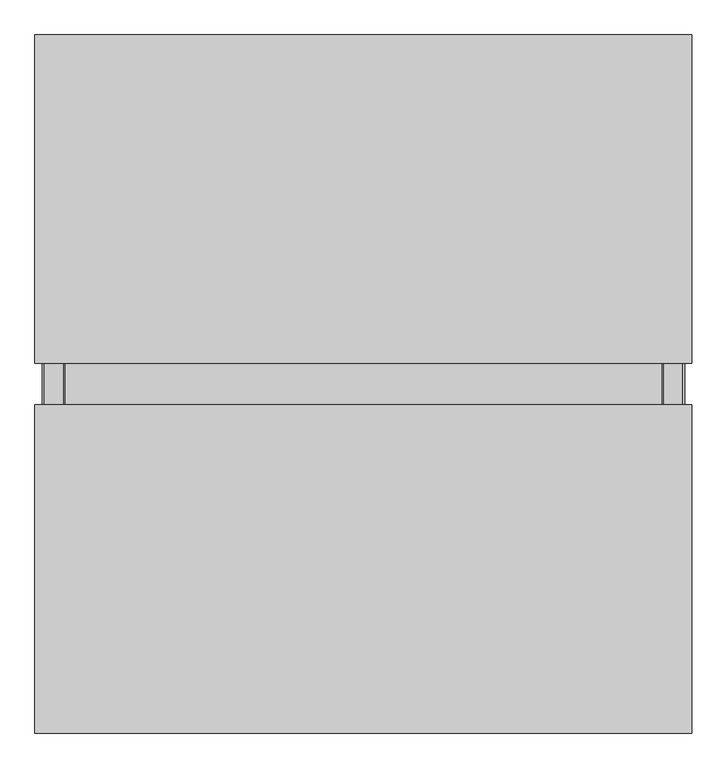
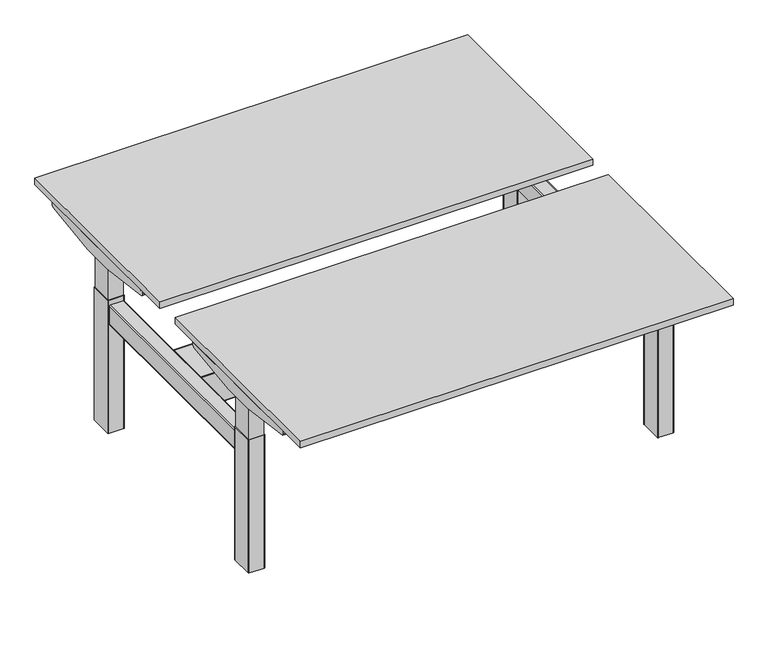
"""IFC4 building model written with IfcOpenShell, lengths in millimetres: furniture geometry."""

from ifc_helpers import new_model, si_unit, point, frame, frame_2d, origin, origin_with_axes, place, context, project, spatial, polyline, circle_curve, ellipse_curve, trimmed, segment, composite_curve, outline, extrude, source, transform, mapped, element, save
from ifc_brep_helpers import plane_surface, cylinder_surface, revolved_surface, advanced_brep


def furniture_f23aa747(model_context):
    return source(origin(), model_context, "Body", "SolidModel", [
        extrude(outline(polyline([(789.3, -497.4890113), (-789.2862845, -497.4890113), (-789.2862845, -402.4890113), (789.3, -402.4890113), (789.3, -497.4890113)])), frame((0.0, 0.0, 667.9999162), z_axis=(0.0, 0.0, 1.0), x_axis=(1.0, 0.0, 0.0)), (0.0, 0.0, 1.0), 43.9052814),
        extrude(outline(polyline([(789.2996816, 402.4523074), (-789.2996816, 402.4523074), (-789.2996816, 497.4523074), (789.2996816, 497.4523074), (789.2996816, 402.4523074)])), frame((0.0, 0.0, 667.9999162), z_axis=(0.0, 0.0, 1.0), x_axis=(1.0, 0.0, 0.0)), (0.0, 0.0, 1.0), 43.9051969),
        extrude(outline(composite_curve([segment(trimmed(circle_curve(frame_2d((754.3259756, 465.4232078)), 20.0), [point((734.3259756, 465.4232078))], [point((774.3259756, 465.4232078))], False, "CARTESIAN"), True, "CONTINUOUS"), segment(trimmed(circle_curve(frame_2d((754.3259756, 465.4232078)), 20.0), [point((774.3259756, 465.4232078))], [point((734.3259756, 465.4232078))], False, "CARTESIAN"), True, "CONTINUOUS")], self_intersect=False)), origin_with_axes(), (0.0, 0.0, 1.0), 4.9999962),
        extrude(outline(composite_curve([segment(trimmed(circle_curve(frame_2d((754.3571158, -464.5429574)), 20.0), [point((734.3571158, -464.5429574))], [point((774.3571158, -464.5429574))], False, "CARTESIAN"), True, "CONTINUOUS"), segment(trimmed(circle_curve(frame_2d((754.3571158, -464.5429574)), 20.0), [point((774.3571158, -464.5429574))], [point((734.3571158, -464.5429574))], False, "CARTESIAN"), True, "CONTINUOUS")], self_intersect=False)), origin_with_axes(), (0.0, 0.0, 1.0), 4.9999962),
        extrude(outline(composite_curve([segment(trimmed(circle_curve(frame_2d((-754.5703164, -465.0740568)), 20.0), [point((-774.5703164, -465.0740568))], [point((-734.5703164, -465.0740568))], False, "CARTESIAN"), True, "CONTINUOUS"), segment(trimmed(circle_curve(frame_2d((-754.5703164, -465.0740568)), 20.0), [point((-734.5703164, -465.0740568))], [point((-774.5703164, -465.0740568))], False, "CARTESIAN"), True, "CONTINUOUS")], self_intersect=False)), origin_with_axes(), (0.0, 0.0, 1.0), 4.9999962),
        extrude(outline(composite_curve([segment(trimmed(circle_curve(frame_2d((-754.5475741, 466.1099029)), 20.0), [point((-774.5475741, 466.1099029))], [point((-734.5475741, 466.1099029))], False, "CARTESIAN"), True, "CONTINUOUS"), segment(trimmed(circle_curve(frame_2d((-754.5475741, 466.1099029)), 20.0), [point((-734.5475741, 466.1099029))], [point((-774.5475741, 466.1099029))], False, "CARTESIAN"), True, "CONTINUOUS")], self_intersect=False)), origin_with_axes(), (0.0, 0.0, 1.0), 5.0000038),
        extrude(outline(polyline([(800.0, 49.9892535), (-800.0, 49.9892535), (-800.0, 849.9892536), (800.0, 849.9892536), (800.0, 49.9892535)])), frame((0.0, 0.0, 714.90499), z_axis=(0.0, 0.0, 1.0), x_axis=(1.0, 0.0, 0.0)), (0.0, 0.0, 1.0), 25.09501),
        extrude(outline(composite_curve([segment(polyline([(739.9996149, 711.9051132), (739.9996149, 703.6742338)]), True, "CONTINUOUS"), segment(trimmed(circle_curve(frame_2d((729.9996149, 703.6742338)), 10.0), [point((739.9996149, 703.6742338))], [point((731.3069776, 693.760062))], False, "CARTESIAN"), True, "CONTINUOUS"), segment(polyline([(731.3069776, 693.760062), (512.4892378, 664.9049895), (387.4887848, 664.9049895), (168.6813999, 693.7586965)]), True, "CONTINUOUS"), segment(trimmed(circle_curve(frame_2d((169.9887626, 703.6728683)), 10.0), [point((168.6813999, 693.7586965))], [point((159.9887626, 703.6728683))], False, "CARTESIAN"), True, "CONTINUOUS"), segment(polyline([(159.9887626, 703.6728683), (159.9887626, 711.9051132), (739.9996149, 711.9051132)]), True, "CONTINUOUS")], self_intersect=False)), frame((789.2996816, 0.0, 0.0), z_axis=(1.0, 0.0, 0.0), x_axis=(0.0, 1.0, 0.0)), (0.0, 0.0, 1.0), 9.9735414),
        extrude(outline(composite_curve([segment(polyline([(739.9996149, 711.9051132), (739.9996149, 703.6742338)]), True, "CONTINUOUS"), segment(trimmed(circle_curve(frame_2d((729.9996149, 703.6742338)), 10.0), [point((739.9996149, 703.6742338))], [point((731.3069776, 693.760062))], False, "CARTESIAN"), True, "CONTINUOUS"), segment(polyline([(731.3069776, 693.760062), (512.4892378, 664.9049895), (387.4887848, 664.9049895), (168.6813999, 693.7586965)]), True, "CONTINUOUS"), segment(trimmed(circle_curve(frame_2d((169.9887626, 703.6728683)), 10.0), [point((168.6813999, 693.7586965))], [point((159.9887626, 703.6728683))], False, "CARTESIAN"), True, "CONTINUOUS"), segment(polyline([(159.9887626, 703.6728683), (159.9887626, 711.9051132), (739.9996149, 711.9051132)]), True, "CONTINUOUS")], self_intersect=False)), frame((-799.2732229, 0.0, 0.0), z_axis=(1.0, 0.0, 0.0), x_axis=(0.0, 1.0, 0.0)), (0.0, 0.0, 1.0), 9.9735414),
        extrude(outline(composite_curve([segment(polyline([(-159.999644, 711.9051976), (-159.999644, 703.6689123)]), True, "CONTINUOUS"), segment(trimmed(circle_curve(frame_2d((-169.999644, 703.6689123)), 10.0), [point((-159.999644, 703.6689123))], [point((-168.6922757, 693.7547412))], False, "CARTESIAN"), True, "CONTINUOUS"), segment(polyline([(-168.6922757, 693.7547412), (-387.4680664, 664.905074), (-512.5099562, 664.905074), (-731.3071595, 693.7575648)]), True, "CONTINUOUS"), segment(trimmed(circle_curve(frame_2d((-729.9997912, 703.6717359)), 10.0), [point((-731.3071595, 693.7575648))], [point((-739.9997912, 703.6717359))], False, "CARTESIAN"), True, "CONTINUOUS"), segment(polyline([(-739.9997912, 703.6717359), (-739.9997912, 711.9051976), (-159.999644, 711.9051976)]), True, "CONTINUOUS")], self_intersect=False)), frame((789.3, 0.0, 0.0), z_axis=(1.0, 0.0, 0.0), x_axis=(0.0, 1.0, 0.0)), (0.0, 0.0, 1.0), 9.9731317),
        extrude(outline(composite_curve([segment(polyline([(-159.999644, 711.9051976), (-159.999644, 703.6689123)]), True, "CONTINUOUS"), segment(trimmed(circle_curve(frame_2d((-169.999644, 703.6689123)), 10.0), [point((-159.999644, 703.6689123))], [point((-168.6922757, 693.7547412))], False, "CARTESIAN"), True, "CONTINUOUS"), segment(polyline([(-168.6922757, 693.7547412), (-387.4680664, 664.905074), (-512.5099562, 664.905074), (-731.3071595, 693.7575648)]), True, "CONTINUOUS"), segment(trimmed(circle_curve(frame_2d((-729.9997912, 703.6717359)), 10.0), [point((-731.3071595, 693.7575648))], [point((-739.9997912, 703.6717359))], False, "CARTESIAN"), True, "CONTINUOUS"), segment(polyline([(-739.9997912, 703.6717359), (-739.9997912, 711.9051976), (-159.999644, 711.9051976)]), True, "CONTINUOUS")], self_intersect=False)), frame((-799.2731317, 0.0, 0.0), z_axis=(1.0, 0.0, 0.0), x_axis=(0.0, 1.0, 0.0)), (0.0, 0.0, 1.0), 9.9868472),
        extrude(outline(polyline([(800.0, -849.9892536), (-800.0, -849.9892536), (-800.0, -50.0107464), (800.0, -50.0107464), (800.0, -849.9892536)])), frame((0.0, 0.0, 714.904979), z_axis=(0.0, 0.0, 1.0), x_axis=(1.0, 0.0, 0.0)), (0.0, 0.0, 1.0), 25.095021),
        extrude(outline(polyline([(728.7730675, -407.4889476), (783.7730709, -407.4889476), (783.7730709, -492.4890751), (728.7730675, -492.4890751), (728.7730675, -407.4889476)])), frame((0.0, 0.0, 524.9998985), z_axis=(0.0, 0.0, 1.0), x_axis=(1.0, 0.0, 0.0)), (0.0, 0.0, 1.0), 127.9855083),
        extrude(outline(polyline([(-728.7730675, -407.4889476), (-728.7730675, -492.4890751), (-783.7730709, -492.4890751), (-783.7730709, -407.4889476), (-728.7730675, -407.4889476)])), frame((0.0, 0.0, 524.9998985), z_axis=(0.0, 0.0, 1.0), x_axis=(1.0, 0.0, 0.0)), (0.0, 0.0, 1.0), 127.9855083),
        extrude(outline(polyline([(728.7730675, 407.4889476), (728.7730675, 492.4890751), (783.7730709, 492.4890751), (783.7730709, 407.4889476), (728.7730675, 407.4889476)])), frame((0.0, 0.0, 524.9998985), z_axis=(0.0, 0.0, 1.0), x_axis=(1.0, 0.0, 0.0)), (0.0, 0.0, 1.0), 127.9855083),
        extrude(outline(polyline([(-728.7730675, 407.4889476), (-783.7730709, 407.4889476), (-783.7730709, 492.4890751), (-728.7730675, 492.4890751), (-728.7730675, 407.4889476)])), frame((0.0, 0.0, 524.9998985), z_axis=(0.0, 0.0, 1.0), x_axis=(1.0, 0.0, 0.0)), (0.0, 0.0, 1.0), 127.9855083),
        extrude(outline(composite_curve([segment(trimmed(circle_curve(frame_2d((783.7231598, 492.4605705)), 2.0), [point((783.7231598, 494.4605705))], [point((785.7231598, 492.4605705))], False, "CARTESIAN"), True, "CONTINUOUS"), segment(polyline([(785.7231598, 492.4605705), (785.7231598, 407.5604217)]), True, "CONTINUOUS"), segment(trimmed(circle_curve(frame_2d((783.7231598, 407.5604217)), 2.0), [point((785.7231598, 407.5604217))], [point((783.7231598, 405.5604217))], False, "CARTESIAN"), True, "CONTINUOUS"), segment(polyline([(783.7231598, 405.5604217), (728.8230121, 405.5604217)]), True, "CONTINUOUS"), segment(trimmed(circle_curve(frame_2d((728.8230121, 407.5604217)), 2.0), [point((728.8230121, 405.5604217))], [point((726.8230121, 407.5604217))], False, "CARTESIAN"), True, "CONTINUOUS"), segment(polyline([(726.8230121, 407.5604217), (726.8230121, 492.4810964)]), True, "CONTINUOUS"), segment(trimmed(circle_curve(frame_2d((728.8024863, 492.4810964)), 1.9794742), [point((726.8230121, 492.4810964))], [point((728.8024863, 494.4605705))], False, "CARTESIAN"), True, "CONTINUOUS"), segment(polyline([(728.8024863, 494.4605705), (783.7231598, 494.4605705)]), True, "CONTINUOUS")], self_intersect=False)), frame((0.0, 0.0, 652.9854068), z_axis=(0.0, 0.0, 1.0), x_axis=(1.0, 0.0, 0.0)), (0.0, 0.0, 1.0), 15.0145094),
        extrude(outline(composite_curve([segment(polyline([(-783.7231598, 494.4605705), (-728.8024863, 494.4605705)]), True, "CONTINUOUS"), segment(trimmed(circle_curve(frame_2d((-728.8024863, 492.4810964)), 1.9794742), [point((-728.8024863, 494.4605705))], [point((-726.8230121, 492.4810964))], False, "CARTESIAN"), True, "CONTINUOUS"), segment(polyline([(-726.8230121, 492.4810964), (-726.8230121, 407.5604217)]), True, "CONTINUOUS"), segment(trimmed(circle_curve(frame_2d((-728.8230121, 407.5604217)), 2.0), [point((-726.8230121, 407.5604217))], [point((-728.8230121, 405.5604217))], False, "CARTESIAN"), True, "CONTINUOUS"), segment(polyline([(-728.8230121, 405.5604217), (-783.7231598, 405.5604217)]), True, "CONTINUOUS"), segment(trimmed(circle_curve(frame_2d((-783.7231598, 407.5604217)), 2.0), [point((-783.7231598, 405.5604217))], [point((-785.7231598, 407.5604217))], False, "CARTESIAN"), True, "CONTINUOUS"), segment(polyline([(-785.7231598, 407.5604217), (-785.7231598, 492.4605705)]), True, "CONTINUOUS"), segment(trimmed(circle_curve(frame_2d((-783.7231598, 492.4605705)), 2.0), [point((-785.7231598, 492.4605705))], [point((-783.7231598, 494.4605705))], False, "CARTESIAN"), True, "CONTINUOUS")], self_intersect=False)), frame((0.0, 0.0, 652.9854068), z_axis=(0.0, 0.0, 1.0), x_axis=(1.0, 0.0, 0.0)), (0.0, 0.0, 1.0), 15.0145094),
        extrude(outline(composite_curve([segment(polyline([(783.7231598, -494.4605705), (728.8024863, -494.4605705)]), True, "CONTINUOUS"), segment(trimmed(circle_curve(frame_2d((728.8024863, -492.4810964)), 1.9794742), [point((728.8024863, -494.4605705))], [point((726.8230121, -492.4810964))], False, "CARTESIAN"), True, "CONTINUOUS"), segment(polyline([(726.8230121, -492.4810964), (726.8230121, -407.5604217)]), True, "CONTINUOUS"), segment(trimmed(circle_curve(frame_2d((728.8230121, -407.5604217)), 2.0), [point((726.8230121, -407.5604217))], [point((728.8230121, -405.5604217))], False, "CARTESIAN"), True, "CONTINUOUS"), segment(polyline([(728.8230121, -405.5604217), (783.7231598, -405.5604217)]), True, "CONTINUOUS"), segment(trimmed(circle_curve(frame_2d((783.7231598, -407.5604217)), 2.0), [point((783.7231598, -405.5604217))], [point((785.7231598, -407.5604217))], False, "CARTESIAN"), True, "CONTINUOUS"), segment(polyline([(785.7231598, -407.5604217), (785.7231598, -492.4605705)]), True, "CONTINUOUS"), segment(trimmed(circle_curve(frame_2d((783.7231598, -492.4605705)), 2.0), [point((785.7231598, -492.4605705))], [point((783.7231598, -494.4605705))], False, "CARTESIAN"), True, "CONTINUOUS")], self_intersect=False)), frame((0.0, 0.0, 652.9854068), z_axis=(0.0, 0.0, 1.0), x_axis=(1.0, 0.0, 0.0)), (0.0, 0.0, 1.0), 15.0145094),
        extrude(outline(composite_curve([segment(trimmed(circle_curve(frame_2d((-783.7231598, -492.4605705)), 2.0), [point((-783.7231598, -494.4605705))], [point((-785.7231598, -492.4605705))], False, "CARTESIAN"), True, "CONTINUOUS"), segment(polyline([(-785.7231598, -492.4605705), (-785.7231598, -407.5604217)]), True, "CONTINUOUS"), segment(trimmed(circle_curve(frame_2d((-783.7231598, -407.5604217)), 2.0), [point((-785.7231598, -407.5604217))], [point((-783.7231598, -405.5604217))], False, "CARTESIAN"), True, "CONTINUOUS"), segment(polyline([(-783.7231598, -405.5604217), (-728.8230121, -405.5604217)]), True, "CONTINUOUS"), segment(trimmed(circle_curve(frame_2d((-728.8230121, -407.5604217)), 2.0), [point((-728.8230121, -405.5604217))], [point((-726.8230121, -407.5604217))], False, "CARTESIAN"), True, "CONTINUOUS"), segment(polyline([(-726.8230121, -407.5604217), (-726.8230121, -492.4810964)]), True, "CONTINUOUS"), segment(trimmed(circle_curve(frame_2d((-728.8024863, -492.4810964)), 1.9794742), [point((-726.8230121, -492.4810964))], [point((-728.8024863, -494.4605705))], False, "CARTESIAN"), True, "CONTINUOUS"), segment(polyline([(-728.8024863, -494.4605705), (-783.7231598, -494.4605705)]), True, "CONTINUOUS")], self_intersect=False)), frame((0.0, 0.0, 652.9854068), z_axis=(0.0, 0.0, 1.0), x_axis=(1.0, 0.0, 0.0)), (0.0, 0.0, 1.0), 15.0145094),
        extrude(outline(composite_curve([segment(polyline([(771.4609454, -725.5667796), (729.2731281, -509.3316463), (729.2731281, -497.1888417), (789.2731314, -497.1888417), (789.2731314, -402.7888829), (729.2730387, -402.7888829), (729.2730387, -390.6464768), (771.4554411, -174.4393589)]), True, "CONTINUOUS"), segment(trimmed(circle_curve(frame_2d((774.4302518, -175.0197499)), 3.0308996), [point((771.4554411, -174.4393589))], [point((774.4302518, -171.9888503))], False, "CARTESIAN"), True, "CONTINUOUS"), segment(polyline([(774.4302518, -171.9888503), (799.2731317, -171.9888503), (799.2731317, -727.9888222), (774.401199, -727.9888222)]), True, "CONTINUOUS"), segment(trimmed(circle_curve(frame_2d((774.401199, -724.9931314)), 2.9956908), [point((774.401199, -727.9888222))], [point((771.4609454, -725.5667796))], False, "CARTESIAN"), True, "CONTINUOUS")], self_intersect=False)), frame((0.0, 0.0, 711.904869), z_axis=(0.0, 0.0, 1.0), x_axis=(1.0, 0.0, 0.0)), (0.0, 0.0, 1.0), 3.0950275),
        extrude(outline(composite_curve([segment(trimmed(circle_curve(frame_2d((-774.401199, -724.9931314)), 2.9956908), [point((-771.4609454, -725.5667796))], [point((-774.401199, -727.9888222))], False, "CARTESIAN"), True, "CONTINUOUS"), segment(polyline([(-774.401199, -727.9888222), (-799.2731317, -727.9888222), (-799.2731317, -171.9888503), (-774.4302518, -171.9888503)]), True, "CONTINUOUS"), segment(trimmed(circle_curve(frame_2d((-774.4302518, -175.0197499)), 3.0308996), [point((-774.4302518, -171.9888503))], [point((-771.4554411, -174.4393589))], False, "CARTESIAN"), True, "CONTINUOUS"), segment(polyline([(-771.4554411, -174.4393589), (-729.2730387, -390.6464768), (-729.2730387, -402.7888829), (-789.2731314, -402.7888829), (-789.2731314, -497.1888417), (-729.2731281, -497.1888417), (-729.2731281, -509.3316463), (-771.4609454, -725.5667796)]), True, "CONTINUOUS")], self_intersect=False)), frame((0.0, 0.0, 711.904869), z_axis=(0.0, 0.0, 1.0), x_axis=(1.0, 0.0, 0.0)), (0.0, 0.0, 1.0), 3.0950275),
        extrude(outline(composite_curve([segment(trimmed(circle_curve(frame_2d((774.401199, 724.9931314)), 2.9956908), [point((771.4609454, 725.5667796))], [point((774.401199, 727.9888222))], False, "CARTESIAN"), True, "CONTINUOUS"), segment(polyline([(774.401199, 727.9888222), (799.2731317, 727.9888222), (799.2731317, 171.9888503), (774.4302518, 171.9888503)]), True, "CONTINUOUS"), segment(trimmed(circle_curve(frame_2d((774.4302518, 175.0197499)), 3.0308996), [point((774.4302518, 171.9888503))], [point((771.4554411, 174.4393589))], False, "CARTESIAN"), True, "CONTINUOUS"), segment(polyline([(771.4554411, 174.4393589), (729.2730387, 390.6464768), (729.2730387, 402.7888829), (789.2731314, 402.7888829), (789.2731314, 497.1888417), (729.2731281, 497.1888417), (729.2731281, 509.3316463), (771.4609454, 725.5667796)]), True, "CONTINUOUS")], self_intersect=False)), frame((0.0, 0.0, 711.904869), z_axis=(0.0, 0.0, 1.0), x_axis=(1.0, 0.0, 0.0)), (0.0, 0.0, 1.0), 3.0950275),
        extrude(outline(composite_curve([segment(polyline([(-771.4609454, 725.5667796), (-729.2731281, 509.3316463), (-729.2731281, 497.1888417), (-789.2731314, 497.1888417), (-789.2731314, 402.7888829), (-729.2730387, 402.7888829), (-729.2730387, 390.6464768), (-771.4554411, 174.4393589)]), True, "CONTINUOUS"), segment(trimmed(circle_curve(frame_2d((-774.4302518, 175.0197499)), 3.0308996), [point((-771.4554411, 174.4393589))], [point((-774.4302518, 171.9888503))], False, "CARTESIAN"), True, "CONTINUOUS"), segment(polyline([(-774.4302518, 171.9888503), (-799.2731317, 171.9888503), (-799.2731317, 727.9888222), (-774.401199, 727.9888222)]), True, "CONTINUOUS"), segment(trimmed(circle_curve(frame_2d((-774.401199, 724.9931314)), 2.9956908), [point((-774.401199, 727.9888222))], [point((-771.4609454, 725.5667796))], False, "CARTESIAN"), True, "CONTINUOUS")], self_intersect=False)), frame((0.0, 0.0, 711.904869), z_axis=(0.0, 0.0, 1.0), x_axis=(1.0, 0.0, 0.0)), (0.0, 0.0, 1.0), 3.0950275),
        advanced_brep(
        [(670.693953, -62.4893787, 402.6391062), (716.3523604, -62.4893787, 429.0), (719.3523604, -62.4893787, 429.0), (673.693953, -62.4893787, 402.6391062), (716.3523604, -12.5107464, 429.0), (719.3523604, -12.5107464, 429.0), (670.693953, -12.5107464, 402.6391062), (673.693953, -12.5107464, 402.6391062), (667.2298514, -14.5107464, 400.6391062), (670.2298514, -14.5107464, 400.6391062), (667.2298514, -60.4893787, 400.6391062), (670.2298514, -60.4893787, 400.6391062), (670.7451854, 12.4892536, 402.6686852), (716.3523604, 12.4892536, 429.0), (719.3523604, 12.4892536, 429.0), (673.7451854, 12.4892536, 402.6686852), (716.3523604, 62.5, 429.0), (719.3523604, 62.5, 429.0), (670.693953, 62.5, 402.6391062), (673.693953, 62.5, 402.6391062), (667.2298514, 60.5, 400.6391062), (670.2298514, 60.5, 400.6391062), (667.2298514, 14.5188326, 400.6391062), (670.2298514, 14.5188326, 400.6391062), (637.2669025, -86.7607498, 383.3399896), (640.2669025, -86.7607498, 383.3399896), (727.9999735, -86.7607498, 433.9927017), (724.9999735, -86.7607498, 433.9927017), (637.2669025, 86.7499541, 383.3399896), (724.9999735, 86.7499541, 433.9927017), (727.9999735, 86.7499541, 433.9927017), (640.2669025, 86.7499541, 383.3399896)],
        [
            (0, 1),
            (1, 2),
            (2, 3),
            (3, 0),
            (1, 4),
            (4, 5),
            (5, 2),
            (4, 6),
            (6, 7),
            (7, 5),
            (6, 8, ellipse_curve(frame((670.693953, -14.5107464, 402.6391062), z_axis=(-0.500000000000222, 0.0, 0.8660254037843106), x_axis=(0.8660254037843104, 0.0, 0.500000000000222)), 4.0, 2.0)),
            (8, 9),
            (9, 7, ellipse_curve(frame((673.693953, -14.5107464, 402.6391062), z_axis=(0.5000000000002213, 0.0, -0.866025403784311), x_axis=(0.8660254037843109, 0.0, 0.5000000000002214)), 4.0, 2.0)),
            (8, 10),
            (10, 11),
            (11, 9),
            (3, 11, ellipse_curve(frame((673.693953, -60.4893787, 402.6391062), z_axis=(0.5000000000002213, 0.0, -0.866025403784311), x_axis=(0.8660254037843109, 0.0, 0.5000000000002214)), 4.0, 2.0)),
            (10, 0, ellipse_curve(frame((670.693953, -60.4893787, 402.6391062), z_axis=(-0.500000000000222, 0.0, 0.8660254037843106), x_axis=(0.8660254037843104, 0.0, 0.500000000000222)), 4.0, 2.0)),
            (12, 13),
            (13, 14),
            (14, 15),
            (15, 12),
            (13, 16),
            (16, 17),
            (17, 14),
            (16, 18),
            (18, 19),
            (19, 17),
            (18, 20, ellipse_curve(frame((670.693953, 60.5, 402.6391062), z_axis=(-0.500000000000222, 0.0, 0.8660254037843106), x_axis=(0.8660254037843104, 0.0, 0.500000000000222)), 4.0, 2.0)),
            (20, 21),
            (21, 19, ellipse_curve(frame((673.693953, 60.5, 402.6391062), z_axis=(0.5000000000002213, 0.0, -0.866025403784311), x_axis=(0.8660254037843109, 0.0, 0.5000000000002214)), 4.0, 2.0)),
            (20, 22),
            (22, 23),
            (23, 21),
            (15, 23, ellipse_curve(frame((673.7451854, 14.5188326, 402.6686852), z_axis=(0.5000000000002213, 0.0, -0.866025403784311), x_axis=(0.8660254037843109, 0.0, 0.5000000000002214)), 4.059158, 2.029579)),
            (22, 12, ellipse_curve(frame((670.7451854, 14.5188326, 402.6686852), z_axis=(-0.500000000000222, 0.0, 0.8660254037843106), x_axis=(0.8660254037843104, 0.0, 0.500000000000222)), 4.059158, 2.029579)),
            (24, 25),
            (25, 26),
            (26, 27),
            (27, 24),
            (28, 29),
            (29, 30),
            (30, 31),
            (31, 28),
            (24, 28),
            (31, 25),
            (30, 26),
            (29, 27),
        ],
        [
            plane_surface(frame((993.0, -62.4893787, 402.6391062), z_axis=(0.0, 1.0, 0.0), x_axis=(-1.0, 0.0, 0.0))),
            plane_surface(frame((993.0, -62.4893787, 429.0), z_axis=(0.0, 0.0, -1.0), x_axis=(-1.0, 0.0, 0.0))),
            plane_surface(frame((993.0, -12.5107464, 429.0), z_axis=(0.0, -1.0, 0.0), x_axis=(-1.0, 0.0, 0.0))),
            revolved_surface(polyline([(677.1580546151372, -16.510746400000002, 402.6391062), (667.2298513848627, -16.510746400000002, 402.6391062)]), (-993.0, -14.5107464, 402.6391062), (1.0, 0.0, 0.0)),
            plane_surface(frame((993.0, -14.5107464, 400.6391062), z_axis=(0.0, 0.0, 1.0), x_axis=(-1.0, 0.0, 0.0))),
            revolved_surface(polyline([(677.1580546151372, -62.4893787, 402.6391062), (667.2298513848627, -62.4893787, 402.6391062)]), (-993.0, -60.4893787, 402.6391062), (1.0, 0.0, 0.0)),
            plane_surface(frame((993.0, 12.4892536, 402.6686852), z_axis=(0.0, 1.0, 0.0), x_axis=(-1.0, 0.0, 0.0))),
            plane_surface(frame((993.0, 12.4892536, 429.0), z_axis=(0.0, 0.0, -1.0), x_axis=(-1.0, 0.0, 0.0))),
            plane_surface(frame((993.0, 62.5, 429.0), z_axis=(0.0, -1.0, 0.0), x_axis=(-1.0, 0.0, 0.0))),
            revolved_surface(polyline([(677.1580546151372, 58.5, 402.6391062), (667.2298513848627, 58.5, 402.6391062)]), (0.0, 60.5, 402.6391062), (1.0, 0.0, 0.0)),
            plane_surface(frame((993.0, 60.5, 400.6391062), z_axis=(0.0, 0.0, 1.0), x_axis=(-1.0, 0.0, 0.0))),
            revolved_surface(polyline([(677.2605193459743, 12.4892536, 402.6686852), (667.2298514, 12.4892536, 402.6686852)]), (0.0, 14.5188326, 402.6686852), (1.0, 0.0, 0.0)),
            plane_surface(frame((724.9999735, -86.7607498, 433.9927017), z_axis=(0.0, -1.0000000000000002, 0.0), x_axis=(0.8660254037843106, 0.0, 0.500000000000222))),
            plane_surface(frame((724.9999735, 86.7499541, 433.9927017), z_axis=(0.0, 1.0000000000000002, 0.0), x_axis=(-0.8660254037843106, 0.0, -0.500000000000222))),
            plane_surface(frame((640.2669025, -86.7607498, 383.3399896), z_axis=(0.0, 0.0, -1.0), x_axis=(0.0, 1.0, 0.0))),
            plane_surface(frame((727.9999735, -86.7607498, 433.9927017), z_axis=(0.5000000000002213, 0.0, -0.866025403784311), x_axis=(0.0, 1.0, 0.0))),
            plane_surface(frame((724.9999735, -86.7607498, 433.9927017), z_axis=(0.0, 0.0, 1.0), x_axis=(0.0, 1.0, 0.0))),
            plane_surface(frame((637.2669025, -86.7607498, 383.3399896), z_axis=(-0.500000000000222, 0.0, 0.8660254037843106), x_axis=(0.0, 1.0, 0.0))),
        ],
        [
            (0, [[1, 2, 3, 4]]),
            (1, [[5, 6, 7, -2]]),
            (2, [[8, 9, 10, -6]]),
            (3, [[11, 12, 13, -9]]),
            (4, [[14, 15, 16, -12]]),
            (5, [[17, -15, 18, -4]]),
            (6, [[19, 20, 21, 22]]),
            (7, [[23, 24, 25, -20]]),
            (8, [[26, 27, 28, -24]]),
            (9, [[29, 30, 31, -27]]),
            (10, [[32, 33, 34, -30]]),
            (11, [[35, -33, 36, -22]]),
            (12, [[37, 38, 39, 40]]),
            (13, [[41, 42, 43, 44]]),
            (14, [[45, -44, 46, -37]]),
            (15, [[-46, -43, 47, -38], [-7, -10, -13, -16, -17, -3], [-25, -28, -31, -34, -35, -21]]),
            (16, [[-47, -42, 48, -39]]),
            (17, [[-48, -41, -45, -40], [-18, -14, -11, -8, -5, -1], [-36, -32, -29, -26, -23, -19]]),
        ],
    ),
        advanced_brep(
        [(-637.2669025, -86.7607498, 383.3399896), (-724.9999735, -86.7607498, 433.9927017), (-727.9999735, -86.7607498, 433.9927017), (-640.2669025, -86.7607498, 383.3399896), (-637.2669025, 86.7499541, 383.3399896), (-640.2669025, 86.7499541, 383.3399896), (-727.9999735, 86.7499541, 433.9927017), (-724.9999735, 86.7499541, 433.9927017), (-673.693953, -62.4893787, 402.6391062), (-670.2298514, -60.4893787, 400.6391062), (-670.2298514, -14.5107464, 400.6391062), (-673.693953, -12.5107464, 402.6391062), (-719.3523604, -12.5107464, 429.0), (-719.3523604, -62.4893787, 429.0), (-673.7451854, 12.4892536, 402.6686852), (-670.2298514, 14.5188326, 400.6391062), (-670.2298514, 60.5, 400.6391062), (-673.693953, 62.5, 402.6391062), (-719.3523604, 62.5, 429.0), (-719.3523604, 12.4892536, 429.0), (-716.3523604, -62.4893787, 429.0), (-716.3523604, -12.5107464, 429.0), (-670.693953, -12.5107464, 402.6391062), (-667.2298514, -14.5107464, 400.6391062), (-667.2298514, -60.4893787, 400.6391062), (-670.693953, -62.4893787, 402.6391062), (-716.3523604, 12.4892536, 429.0), (-716.3523604, 62.5, 429.0), (-670.693953, 62.5, 402.6391062), (-667.2298514, 60.5, 400.6391062), (-667.2298514, 14.5188326, 400.6391062), (-670.7451854, 12.4892536, 402.6686852)],
        [
            (0, 1),
            (1, 2),
            (2, 3),
            (3, 0),
            (4, 5),
            (5, 6),
            (6, 7),
            (7, 4),
            (3, 5),
            (4, 0),
            (2, 6),
            (8, 9, ellipse_curve(frame((-673.693953, -60.4893787, 402.6391062), z_axis=(0.4999999999999993, 0.0, 0.8660254037844392), x_axis=(0.8660254037844392, 0.0, -0.4999999999999994)), 4.0, 2.0)),
            (9, 10),
            (10, 11, ellipse_curve(frame((-673.693953, -14.5107464, 402.6391062), z_axis=(0.4999999999999993, 0.0, 0.8660254037844392), x_axis=(0.8660254037844392, 0.0, -0.4999999999999994)), 4.0, 2.0)),
            (11, 12),
            (12, 13),
            (13, 8),
            (14, 15, ellipse_curve(frame((-673.7451854, 14.5188326, 402.6686852), z_axis=(0.4999999999999993, 0.0, 0.8660254037844392), x_axis=(0.8660254037844392, 0.0, -0.4999999999999994)), 4.059158, 2.029579)),
            (15, 16),
            (16, 17, ellipse_curve(frame((-673.693953, 60.5, 402.6391062), z_axis=(0.4999999999999993, 0.0, 0.8660254037844392), x_axis=(0.8660254037844392, 0.0, -0.4999999999999994)), 4.0, 2.0)),
            (17, 18),
            (18, 19),
            (19, 14),
            (1, 7),
            (20, 21),
            (21, 22),
            (22, 23, ellipse_curve(frame((-670.693953, -14.5107464, 402.6391062), z_axis=(-0.49999999999999983, 0.0, -0.8660254037844387), x_axis=(0.8660254037844388, 0.0, -0.4999999999999997)), 4.0, 2.0)),
            (23, 24),
            (24, 25, ellipse_curve(frame((-670.693953, -60.4893787, 402.6391062), z_axis=(-0.49999999999999983, 0.0, -0.8660254037844387), x_axis=(0.8660254037844388, 0.0, -0.4999999999999997)), 4.0, 2.0)),
            (25, 20),
            (26, 27),
            (27, 28),
            (28, 29, ellipse_curve(frame((-670.693953, 60.5, 402.6391062), z_axis=(-0.49999999999999983, 0.0, -0.8660254037844387), x_axis=(0.8660254037844388, 0.0, -0.4999999999999997)), 4.0, 2.0)),
            (29, 30),
            (30, 31, ellipse_curve(frame((-670.7451854, 14.5188326, 402.6686852), z_axis=(-0.49999999999999983, 0.0, -0.8660254037844387), x_axis=(0.8660254037844388, 0.0, -0.4999999999999997)), 4.059158, 2.029579)),
            (31, 26),
            (13, 20),
            (25, 8),
            (12, 21),
            (11, 22),
            (10, 23),
            (9, 24),
            (19, 26),
            (31, 14),
            (18, 27),
            (17, 28),
            (16, 29),
            (15, 30),
        ],
        [
            plane_surface(frame((-640.2669025, -86.7607498, 383.3399896), z_axis=(0.0, -1.0, 0.0), x_axis=(-1.0, 0.0, 0.0))),
            plane_surface(frame((-640.2669025, 86.7499541, 383.3399896), z_axis=(0.0, 1.0, 0.0), x_axis=(1.0, 0.0, 0.0))),
            plane_surface(frame((-637.2669025, -86.7607498, 383.3399896), z_axis=(0.0, 0.0, -1.0), x_axis=(0.0, 1.0, 0.0))),
            plane_surface(frame((-640.2669025, -86.7607498, 383.3399896), z_axis=(-0.4999999999999993, 0.0, -0.8660254037844392), x_axis=(0.0, 1.0, 0.0))),
            plane_surface(frame((-727.9999735, -86.7607498, 433.9927017), z_axis=(0.0, 0.0, 1.0), x_axis=(0.0, 1.0, 0.0))),
            plane_surface(frame((-724.9999735, -86.7607498, 433.9927017), z_axis=(0.49999999999999983, 0.0, 0.8660254037844387), x_axis=(0.0, 1.0, 0.0))),
            plane_surface(frame((993.0, -62.4893787, 402.6391062), z_axis=(0.0, 1.0, 0.0), x_axis=(-1.0, 0.0, 0.0))),
            plane_surface(frame((993.0, -62.4893787, 429.0), z_axis=(0.0, 0.0, -1.0), x_axis=(-1.0, 0.0, 0.0))),
            plane_surface(frame((993.0, -12.5107464, 429.0), z_axis=(0.0, -1.0, 0.0), x_axis=(-1.0, 0.0, 0.0))),
            revolved_surface(polyline([(-667.2298513848623, -16.510746400000002, 402.6391062), (-677.1580546151376, -16.510746400000002, 402.6391062)]), (-993.0, -14.5107464, 402.6391062), (1.0, 0.0, 0.0)),
            plane_surface(frame((993.0, -14.5107464, 400.6391062), z_axis=(0.0, 0.0, 1.0), x_axis=(-1.0, 0.0, 0.0))),
            revolved_surface(polyline([(-667.2298513848623, -62.4893787, 402.6391062), (-677.1580546151376, -62.4893787, 402.6391062)]), (-993.0, -60.4893787, 402.6391062), (1.0, 0.0, 0.0)),
            plane_surface(frame((993.0, 12.4892536, 402.6686852), z_axis=(0.0, 1.0, 0.0), x_axis=(-1.0, 0.0, 0.0))),
            plane_surface(frame((993.0, 12.4892536, 429.0), z_axis=(0.0, 0.0, -1.0), x_axis=(-1.0, 0.0, 0.0))),
            plane_surface(frame((993.0, 62.5, 429.0), z_axis=(0.0, -1.0, 0.0), x_axis=(-1.0, 0.0, 0.0))),
            revolved_surface(polyline([(-667.2298513848622, 58.5, 402.6391062), (-677.1580546151378, 58.5, 402.6391062)]), (0.0, 60.5, 402.6391062), (1.0, 0.0, 0.0)),
            plane_surface(frame((993.0, 60.5, 400.6391062), z_axis=(0.0, 0.0, 1.0), x_axis=(-1.0, 0.0, 0.0))),
            revolved_surface(polyline([(-667.2298514, 12.4892536, 402.6686852), (-677.2605193459748, 12.4892536, 402.6686852)]), (0.0, 14.5188326, 402.6686852), (1.0, 0.0, 0.0)),
        ],
        [
            (0, [[1, 2, 3, 4]]),
            (1, [[5, 6, 7, 8]]),
            (2, [[9, -5, 10, -4]]),
            (3, [[11, -6, -9, -3], [12, 13, 14, 15, 16, 17], [18, 19, 20, 21, 22, 23]]),
            (4, [[24, -7, -11, -2]]),
            (5, [[-10, -8, -24, -1], [25, 26, 27, 28, 29, 30], [31, 32, 33, 34, 35, 36]]),
            (6, [[-17, 37, -30, 38]]),
            (7, [[-16, 39, -25, -37]]),
            (8, [[-15, 40, -26, -39]]),
            (9, [[-14, 41, -27, -40]]),
            (10, [[-13, 42, -28, -41]]),
            (11, [[-29, -42, -12, -38]]),
            (12, [[-23, 43, -36, 44]]),
            (13, [[-22, 45, -31, -43]]),
            (14, [[-21, 46, -32, -45]]),
            (15, [[-20, 47, -33, -46]]),
            (16, [[-19, 48, -34, -47]]),
            (17, [[-35, -48, -18, -44]]),
        ],
    ),
        advanced_brep(
        [(727.9999735, 86.2607005, 504.5900561), (727.9999735, -86.2607005, 504.5900561), (727.9999735, -88.7607005, 502.0900561), (727.9999735, -88.7607005, 433.9927017), (727.9999735, -86.7607005, 433.9927017), (727.9999735, -86.7607005, 502.0900561), (727.9999735, -86.2607005, 502.5900561), (727.9999735, 86.2607005, 502.5900561), (727.9999735, 86.7607005, 502.0900561), (727.9999735, 86.7607005, 433.9927017), (727.9999735, 88.7607005, 433.9927017), (727.9999735, 88.7607005, 502.0900561), (-727.9999735, 86.2607005, 504.5900561), (-727.9999735, 88.7607005, 502.0900561), (-727.9999735, 88.7607005, 433.9927017), (-727.9999735, 86.7607005, 433.9927017), (-727.9999735, 86.7607005, 502.0900561), (-727.9999735, 86.2607005, 502.5900561), (-727.9999735, -86.2607005, 502.5900561), (-727.9999735, -86.7607005, 502.0900561), (-727.9999735, -86.7607005, 433.9927017), (-727.9999735, -88.7607005, 433.9927017), (-727.9999735, -88.7607005, 502.0900561), (-727.9999735, -86.2607005, 504.5900561), (641.1329279, 88.7607005, 383.8399896), (-641.1329279, 88.7607005, 383.8399896), (636.8028009, 86.2607005, 381.3399896), (-636.8028009, 86.2607005, 381.3399896), (636.8028009, -86.2607005, 381.3399896), (-636.8028009, -86.2607005, 381.3399896), (641.1329279, -88.7607005, 383.8399896), (-641.1329279, -88.7607005, 383.8399896), (641.1329279, -86.7607005, 383.8399896), (640.2669025, -86.2607005, 383.3399896), (-640.2669025, -86.2607005, 383.3399896), (-641.1329279, -86.7607005, 383.8399896), (640.2669025, 86.2607005, 383.3399896), (-640.2669025, 86.2607005, 383.3399896), (641.1329279, 86.7607005, 383.8399896), (-641.1329279, 86.7607005, 383.8399896)],
        [
            (0, 1),
            (1, 2, circle_curve(frame((727.9999735, -86.2607005, 502.0900561), z_axis=(1.0, 0.0, 0.0), x_axis=(0.0, -1.0, 0.0)), 2.5)),
            (2, 3),
            (3, 4),
            (4, 5),
            (5, 6, circle_curve(frame((727.9999735, -86.2607005, 502.0900561), z_axis=(-1.0, 0.0, 0.0), x_axis=(0.0, -1.0, 0.0)), 0.5)),
            (6, 7),
            (7, 8, circle_curve(frame((727.9999735, 86.2607005, 502.0900561), z_axis=(-1.0, 0.0, 0.0), x_axis=(0.0, -1.0, 0.0)), 0.5)),
            (8, 9),
            (9, 10),
            (10, 11),
            (11, 0, circle_curve(frame((727.9999735, 86.2607005, 502.0900561), z_axis=(1.0, 0.0, 0.0), x_axis=(0.0, -1.0, 0.0)), 2.5)),
            (12, 13, circle_curve(frame((-727.9999735, 86.2607005, 502.0900561), z_axis=(-1.0, 0.0, 0.0), x_axis=(0.0, -1.0, 0.0)), 2.5)),
            (13, 14),
            (14, 15),
            (15, 16),
            (16, 17, circle_curve(frame((-727.9999735, 86.2607005, 502.0900561), z_axis=(1.0, 0.0, 0.0), x_axis=(0.0, -1.0, 0.0)), 0.5)),
            (17, 18),
            (18, 19, circle_curve(frame((-727.9999735, -86.2607005, 502.0900561), z_axis=(1.0, 0.0, 0.0), x_axis=(0.0, -1.0, 0.0)), 0.5)),
            (19, 20),
            (20, 21),
            (21, 22),
            (22, 23, circle_curve(frame((-727.9999735, -86.2607005, 502.0900561), z_axis=(-1.0, 0.0, 0.0), x_axis=(0.0, -1.0, 0.0)), 2.5)),
            (23, 12),
            (11, 13),
            (12, 0),
            (10, 24),
            (24, 25),
            (25, 14),
            (24, 26, ellipse_curve(frame((641.1329279, 86.2607005, 383.8399896), z_axis=(-0.500000000000057, 0.0, 0.8660254037844057), x_axis=(0.8660254037844057, 0.0, 0.500000000000057)), 5.0, 2.5)),
            (26, 27),
            (27, 25, ellipse_curve(frame((-641.1329279, 86.2607005, 383.8399896), z_axis=(0.5000000000000047, 0.0, 0.866025403784436), x_axis=(0.8660254037844359, 0.0, -0.5000000000000047)), 5.0, 2.5)),
            (26, 28),
            (28, 29),
            (29, 27),
            (28, 30, ellipse_curve(frame((641.1329279, -86.2607005, 383.8399896), z_axis=(-0.500000000000057, 0.0, 0.8660254037844057), x_axis=(0.8660254037844057, 0.0, 0.500000000000057)), 5.0, 2.5)),
            (30, 31),
            (31, 29, ellipse_curve(frame((-641.1329279, -86.2607005, 383.8399896), z_axis=(0.5000000000000047, 0.0, 0.866025403784436), x_axis=(0.8660254037844359, 0.0, -0.5000000000000047)), 5.0, 2.5)),
            (21, 31),
            (30, 3),
            (2, 22),
            (1, 23),
            (32, 33, ellipse_curve(frame((641.1329279, -86.2607005, 383.8399896), z_axis=(0.500000000000057, 0.0, -0.8660254037844057), x_axis=(-0.8660254037844057, 0.0, -0.500000000000057)), 1.0, 0.5)),
            (33, 34),
            (34, 35, ellipse_curve(frame((-641.1329279, -86.2607005, 383.8399896), z_axis=(-0.5000000000000047, 0.0, -0.866025403784436), x_axis=(-0.8660254037844359, 0.0, 0.5000000000000047)), 1.0, 0.5)),
            (35, 32),
            (33, 36),
            (36, 37),
            (37, 34),
            (36, 38, ellipse_curve(frame((641.1329279, 86.2607005, 383.8399896), z_axis=(0.500000000000057, 0.0, -0.8660254037844057), x_axis=(-0.8660254037844057, 0.0, -0.500000000000057)), 1.0, 0.5)),
            (38, 39),
            (39, 37, ellipse_curve(frame((-641.1329279, 86.2607005, 383.8399896), z_axis=(-0.5000000000000047, 0.0, -0.866025403784436), x_axis=(-0.8660254037844359, 0.0, 0.5000000000000047)), 1.0, 0.5)),
            (15, 39),
            (38, 9),
            (8, 16),
            (7, 17),
            (6, 18),
            (5, 19),
            (4, 32),
            (35, 20),
        ],
        [
            plane_surface(frame((727.9999735, 83.7607005, 502.0900561), z_axis=(1.0, 0.0, 0.0), x_axis=(0.0, 0.0, 1.0))),
            plane_surface(frame((-727.9999735, 83.7607005, 502.0900561), z_axis=(-1.0, 0.0, 0.0), x_axis=(0.0, 0.0, -1.0))),
            cylinder_surface(frame((-727.9999735, 86.2607005, 502.0900561), z_axis=(1.0, 0.0, 0.0), x_axis=(0.0, -1.0, 0.0)), 2.5),
            plane_surface(frame((727.9999735, 88.7607005, 502.0900561), z_axis=(0.0, 1.0, 0.0), x_axis=(-1.0, 0.0, 0.0))),
            cylinder_surface(frame((-727.9999735, 86.2607005, 383.8399896), z_axis=(1.0, 0.0, 0.0), x_axis=(0.0, -1.0, 0.0)), 2.5),
            plane_surface(frame((727.9999735, 86.2607005, 381.3399896), z_axis=(0.0, 0.0, -1.0), x_axis=(-1.0, 0.0, 0.0))),
            cylinder_surface(frame((-727.9999735, -86.2607005, 383.8399896), z_axis=(1.0, 0.0, 0.0), x_axis=(0.0, -1.0, 0.0)), 2.5),
            plane_surface(frame((727.9999735, -88.7607005, 383.8399896), z_axis=(0.0, -1.0, 0.0), x_axis=(-1.0, 0.0, 0.0))),
            cylinder_surface(frame((-727.9999735, -86.2607005, 502.0900561), z_axis=(1.0, 0.0, 0.0), x_axis=(0.0, -1.0, 0.0)), 2.5),
            plane_surface(frame((727.9999735, -86.2607005, 504.5900561), z_axis=(0.0, 0.0, 1.0), x_axis=(-1.0, 0.0, 0.0))),
            revolved_surface(polyline([(-641.9989533037844, -86.7607005, 383.8399896), (641.9989533037844, -86.7607005, 383.8399896)]), (0.0, -86.2607005, 383.8399896), (-1.0, 0.0, 0.0)),
            plane_surface(frame((727.9999735, -86.2607005, 383.3399896), z_axis=(0.0, 0.0, 1.0), x_axis=(-1.0, 0.0, 0.0))),
            revolved_surface(polyline([(-641.9989533037844, 85.7607005, 383.8399896), (641.9989533037844, 85.7607005, 383.8399896)]), (0.0, 86.2607005, 383.8399896), (-1.0, 0.0, 0.0)),
            plane_surface(frame((727.9999735, 86.7607005, 383.8399896), z_axis=(0.0, -1.0, 0.0), x_axis=(-1.0, 0.0, 0.0))),
            revolved_surface(polyline([(-727.9999735, 85.7607005, 502.0900561), (727.9999735, 85.7607005, 502.0900561)]), (0.0, 86.2607005, 502.0900561), (-1.0, 0.0, 0.0)),
            plane_surface(frame((727.9999735, 86.2607005, 502.5900561), z_axis=(0.0, 0.0, -1.0), x_axis=(-1.0, 0.0, 0.0))),
            revolved_surface(polyline([(-727.9999735, -86.7607005, 502.0900561), (727.9999735, -86.7607005, 502.0900561)]), (0.0, -86.2607005, 502.0900561), (-1.0, 0.0, 0.0)),
            plane_surface(frame((727.9999735, -86.7607005, 502.0900561), z_axis=(0.0, 1.0, 0.0), x_axis=(-1.0, 0.0, 0.0))),
            plane_surface(frame((-732.9316207, -146.8168151, 436.8399896), z_axis=(-0.5000000000000047, 0.0, -0.866025403784436), x_axis=(0.0, 1.0, 0.0))),
            plane_surface(frame((620.3483182, -146.8168151, 371.8399896), z_axis=(0.500000000000057, 0.0, -0.8660254037844057), x_axis=(0.0, 1.0, 0.0))),
        ],
        [
            (0, [[1, 2, 3, 4, 5, 6, 7, 8, 9, 10, 11, 12]]),
            (1, [[13, 14, 15, 16, 17, 18, 19, 20, 21, 22, 23, 24]]),
            (2, [[25, -13, 26, -12]]),
            (3, [[-11, 27, 28, 29, -14, -25]]),
            (4, [[30, 31, 32, -28]]),
            (5, [[33, 34, 35, -31]]),
            (6, [[36, 37, 38, -34]]),
            (7, [[-22, 39, -37, 40, -3, 41]]),
            (8, [[42, -23, -41, -2]]),
            (9, [[-26, -24, -42, -1]]),
            (10, [[43, 44, 45, 46]]),
            (11, [[47, 48, 49, -44]]),
            (12, [[50, 51, 52, -48]]),
            (13, [[-16, 53, -51, 54, -9, 55]]),
            (14, [[56, -17, -55, -8]]),
            (15, [[57, -18, -56, -7]]),
            (16, [[58, -19, -57, -6]]),
            (17, [[-5, 59, -46, 60, -20, -58]]),
            (18, [[-60, -45, -49, -52, -53, -15, -29, -32, -35, -38, -39, -21]]),
            (19, [[-54, -50, -47, -43, -59, -4, -40, -36, -33, -30, -27, -10]]),
        ],
    ),
        extrude(outline(composite_curve([segment(trimmed(circle_curve(frame_2d((783.8148354, 407.4473506)), 2.458215), [point((786.2730504, 407.4473506))], [point((783.8148354, 404.9891356))], False, "CARTESIAN"), True, "CONTINUOUS"), segment(polyline([(783.8148354, 404.9891356), (728.7466574, 404.9891356)]), True, "CONTINUOUS"), segment(trimmed(circle_curve(frame_2d((728.7466574, 407.4626015)), 2.4734659), [point((728.7466574, 404.9891356))], [point((726.2731914, 407.4626015))], False, "CARTESIAN"), True, "CONTINUOUS"), segment(polyline([(726.2731914, 407.4626015), (726.2731914, 492.4608126)]), True, "CONTINUOUS"), segment(trimmed(circle_curve(frame_2d((728.8012796, 492.4608126)), 2.5280882), [point((726.2731914, 492.4608126))], [point((728.8012796, 494.9889007))], False, "CARTESIAN"), True, "CONTINUOUS"), segment(polyline([(728.8012796, 494.9889007), (783.770379, 494.9889007)]), True, "CONTINUOUS"), segment(trimmed(circle_curve(frame_2d((783.770379, 492.4862293)), 2.5026714), [point((783.770379, 494.9889007))], [point((786.2730504, 492.4862293))], False, "CARTESIAN"), True, "CONTINUOUS"), segment(polyline([(786.2730504, 492.4862293), (786.2730504, 407.4473506)]), True, "CONTINUOUS")], self_intersect=False)), frame((0.0, 0.0, 4.9999962), z_axis=(0.0, 0.0, 1.0), x_axis=(1.0, 0.0, 0.0)), (0.0, 0.0, 1.0), 519.9999023),
        extrude(outline(composite_curve([segment(polyline([(786.2730504, -407.4473506), (786.2730504, -492.4862293)]), True, "CONTINUOUS"), segment(trimmed(circle_curve(frame_2d((783.770379, -492.4862293)), 2.5026714), [point((786.2730504, -492.4862293))], [point((783.770379, -494.9889007))], False, "CARTESIAN"), True, "CONTINUOUS"), segment(polyline([(783.770379, -494.9889007), (728.8012796, -494.9889007)]), True, "CONTINUOUS"), segment(trimmed(circle_curve(frame_2d((728.8012796, -492.4608126)), 2.5280882), [point((728.8012796, -494.9889007))], [point((726.2731914, -492.4608126))], False, "CARTESIAN"), True, "CONTINUOUS"), segment(polyline([(726.2731914, -492.4608126), (726.2731914, -407.4626015)]), True, "CONTINUOUS"), segment(trimmed(circle_curve(frame_2d((728.7466574, -407.4626015)), 2.4734659), [point((726.2731914, -407.4626015))], [point((728.7466574, -404.9891356))], False, "CARTESIAN"), True, "CONTINUOUS"), segment(polyline([(728.7466574, -404.9891356), (783.8148354, -404.9891356)]), True, "CONTINUOUS"), segment(trimmed(circle_curve(frame_2d((783.8148354, -407.4473506)), 2.458215), [point((783.8148354, -404.9891356))], [point((786.2730504, -407.4473506))], False, "CARTESIAN"), True, "CONTINUOUS")], self_intersect=False)), frame((0.0, 0.0, 4.9999962), z_axis=(0.0, 0.0, 1.0), x_axis=(1.0, 0.0, 0.0)), (0.0, 0.0, 1.0), 519.9999023),
        extrude(outline(composite_curve([segment(trimmed(circle_curve(frame_2d((433.0, 778.0)), 4.0), [point((429.0, 778.0))], [point((433.0, 782.0))], False, "CARTESIAN"), True, "CONTINUOUS"), segment(polyline([(433.0, 782.0), (502.0387745, 782.0)]), True, "CONTINUOUS"), segment(trimmed(circle_curve(frame_2d((502.0387745, 778.0387745)), 3.9612255), [point((502.0387745, 782.0))], [point((506.0, 778.0387745))], False, "CARTESIAN"), True, "CONTINUOUS"), segment(polyline([(506.0, 778.0387745), (506.0, 731.0)]), True, "CONTINUOUS"), segment(trimmed(circle_curve(frame_2d((502.0, 731.0)), 4.0), [point((506.0, 731.0))], [point((502.0, 727.0))], False, "CARTESIAN"), True, "CONTINUOUS"), segment(polyline([(502.0, 727.0), (433.0, 727.0)]), True, "CONTINUOUS"), segment(trimmed(circle_curve(frame_2d((433.0, 731.0)), 4.0), [point((433.0, 727.0))], [point((429.0, 731.0))], False, "CARTESIAN"), True, "CONTINUOUS"), segment(polyline([(429.0, 731.0), (429.0, 778.0)]), True, "CONTINUOUS")], self_intersect=False)), frame((0.0, -405.0212487, 0.0), z_axis=(0.0, 1.0, 0.0), x_axis=(0.0, 0.0, 1.0)), (0.0, 0.0, 1.0), 809.9995117),
        extrude(outline(composite_curve([segment(polyline([(-786.2730504, 407.4473506), (-786.2730504, 492.4862293)]), True, "CONTINUOUS"), segment(trimmed(circle_curve(frame_2d((-783.770379, 492.4862293)), 2.5026714), [point((-786.2730504, 492.4862293))], [point((-783.770379, 494.9889007))], False, "CARTESIAN"), True, "CONTINUOUS"), segment(polyline([(-783.770379, 494.9889007), (-728.8012796, 494.9889007)]), True, "CONTINUOUS"), segment(trimmed(circle_curve(frame_2d((-728.8012796, 492.4608126)), 2.5280882), [point((-728.8012796, 494.9889007))], [point((-726.2731914, 492.4608126))], False, "CARTESIAN"), True, "CONTINUOUS"), segment(polyline([(-726.2731914, 492.4608126), (-726.2731914, 407.4626015)]), True, "CONTINUOUS"), segment(trimmed(circle_curve(frame_2d((-728.7466574, 407.4626015)), 2.4734659), [point((-726.2731914, 407.4626015))], [point((-728.7466574, 404.9891356))], False, "CARTESIAN"), True, "CONTINUOUS"), segment(polyline([(-728.7466574, 404.9891356), (-783.8148354, 404.9891356)]), True, "CONTINUOUS"), segment(trimmed(circle_curve(frame_2d((-783.8148354, 407.4473506)), 2.458215), [point((-783.8148354, 404.9891356))], [point((-786.2730504, 407.4473506))], False, "CARTESIAN"), True, "CONTINUOUS")], self_intersect=False)), frame((0.0, 0.0, 4.9999962), z_axis=(0.0, 0.0, 1.0), x_axis=(1.0, 0.0, 0.0)), (0.0, 0.0, 1.0), 519.9999023),
        extrude(outline(composite_curve([segment(trimmed(circle_curve(frame_2d((-783.8148354, -407.4473506)), 2.458215), [point((-786.2730504, -407.4473506))], [point((-783.8148354, -404.9891356))], False, "CARTESIAN"), True, "CONTINUOUS"), segment(polyline([(-783.8148354, -404.9891356), (-728.7466574, -404.9891356)]), True, "CONTINUOUS"), segment(trimmed(circle_curve(frame_2d((-728.7466574, -407.4626015)), 2.4734659), [point((-728.7466574, -404.9891356))], [point((-726.2731914, -407.4626015))], False, "CARTESIAN"), True, "CONTINUOUS"), segment(polyline([(-726.2731914, -407.4626015), (-726.2731914, -492.4608126)]), True, "CONTINUOUS"), segment(trimmed(circle_curve(frame_2d((-728.8012796, -492.4608126)), 2.5280882), [point((-726.2731914, -492.4608126))], [point((-728.8012796, -494.9889007))], False, "CARTESIAN"), True, "CONTINUOUS"), segment(polyline([(-728.8012796, -494.9889007), (-783.770379, -494.9889007)]), True, "CONTINUOUS"), segment(trimmed(circle_curve(frame_2d((-783.770379, -492.4862293)), 2.5026714), [point((-783.770379, -494.9889007))], [point((-786.2730504, -492.4862293))], False, "CARTESIAN"), True, "CONTINUOUS"), segment(polyline([(-786.2730504, -492.4862293), (-786.2730504, -407.4473506)]), True, "CONTINUOUS")], self_intersect=False)), frame((0.0, 0.0, 4.9999962), z_axis=(0.0, 0.0, 1.0), x_axis=(1.0, 0.0, 0.0)), (0.0, 0.0, 1.0), 519.9999023),
        extrude(outline(composite_curve([segment(polyline([(429.0, -778.0), (429.0, -731.0)]), True, "CONTINUOUS"), segment(trimmed(circle_curve(frame_2d((433.0, -731.0)), 4.0), [point((429.0, -731.0))], [point((433.0, -727.0))], False, "CARTESIAN"), True, "CONTINUOUS"), segment(polyline([(433.0, -727.0), (502.0, -727.0)]), True, "CONTINUOUS"), segment(trimmed(circle_curve(frame_2d((502.0, -731.0)), 4.0), [point((502.0, -727.0))], [point((506.0, -731.0))], False, "CARTESIAN"), True, "CONTINUOUS"), segment(polyline([(506.0, -731.0), (506.0, -778.0387745)]), True, "CONTINUOUS"), segment(trimmed(circle_curve(frame_2d((502.0387745, -778.0387745)), 3.9612255), [point((506.0, -778.0387745))], [point((502.0387745, -782.0))], False, "CARTESIAN"), True, "CONTINUOUS"), segment(polyline([(502.0387745, -782.0), (433.0, -782.0)]), True, "CONTINUOUS"), segment(trimmed(circle_curve(frame_2d((433.0, -778.0)), 4.0), [point((433.0, -782.0))], [point((429.0, -778.0))], False, "CARTESIAN"), True, "CONTINUOUS")], self_intersect=False)), frame((0.0, -405.0212487, 0.0), z_axis=(0.0, 1.0, 0.0), x_axis=(0.0, 0.0, 1.0)), (0.0, 0.0, 1.0), 809.9995117),
    ])


if __name__ == "__main__":
    model = new_model("IFC4")
    model_context = context("Model", 3, world=origin())
    ifc_project = project(units=[si_unit("LENGTHUNIT", "METRE", prefix="MILLI")], contexts=[model_context])
    site = spatial("IfcSite", under=ifc_project)
    building = spatial("IfcBuilding", under=site)
    placement = place(None, origin())
    furniture_shape = furniture_f23aa747(model_context)
    element("IfcFurniture", 1, at=placement, inside=building, context=model_context, shape_type="MappedRepresentation", body=[
        mapped(furniture_shape, transform((0.0, 0.0, 0.0), x_axis=(1.0, 0.0, 0.0), y_axis=(0.0, 1.0, 0.0), z_axis=(0.0, 0.0, 1.0))),
    ])
    save(model, "model.ifc")
